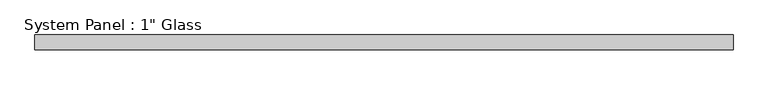
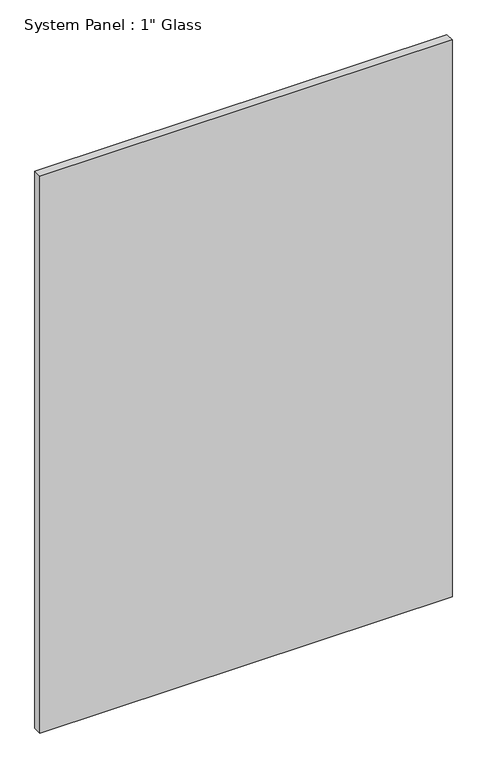
"""IFC4 building model written with IfcOpenShell, lengths in millimetres: plate geometry."""

from ifc_helpers import new_model, si_unit, origin, origin_with_axes, place, context, project, spatial, polyline, outline, extrude, source, transform, mapped, element, save


def plate_5cab2342(model_context):
    return source(origin(), model_context, "Body", "SweptSolid", [
        extrude(outline(polyline([(593.4789648, -12.7), (-593.4789648, -12.7), (-593.4789648, 12.7), (593.4789648, 12.7), (593.4789648, -12.7)])), origin_with_axes(), (0.0, 0.0, 1.0), 1695.45),
    ])


if __name__ == "__main__":
    model = new_model("IFC4")
    model_context = context("Model", 3, world=origin())
    ifc_project = project(units=[si_unit("LENGTHUNIT", "METRE", prefix="MILLI")], contexts=[model_context])
    site = spatial("IfcSite", under=ifc_project)
    building = spatial("IfcBuilding", under=site)
    placement = place(None, origin())
    plate_shape = plate_5cab2342(model_context)
    element("IfcPlate", 1, ObjectType="System Panel : 1\" Glass", at=placement, inside=building, context=model_context, shape_type="MappedRepresentation", body=[
        mapped(plate_shape, transform((0.0, 0.0, 0.0), x_axis=(1.0, 0.0, 0.0), y_axis=(0.0, 1.0, 0.0), z_axis=(0.0, 0.0, 1.0))),
    ])
    save(model, "model.ifc")
